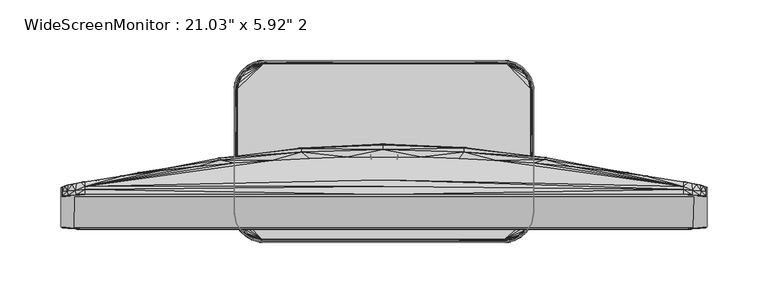
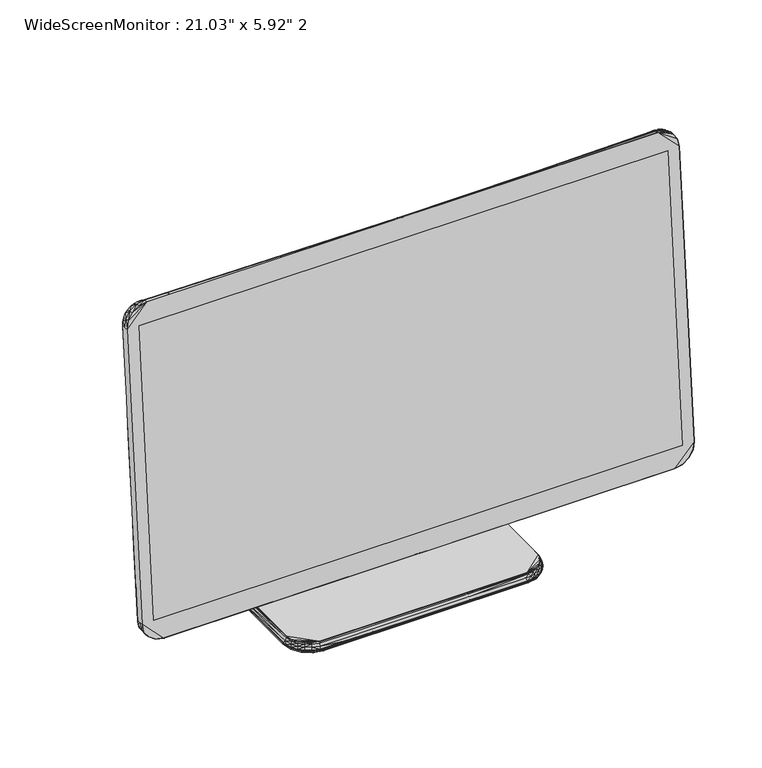
"""IFC4 building model written with IfcOpenShell, lengths in millimetres: furniture geometry."""

from ifc_helpers import new_model, si_unit, origin, place, context, project, spatial, triangles, source, transform, mapped, element, save


def furniture_1f71f795(model_context):
    return source(origin(), model_context, "Body", "Tessellation", [
        triangles([(7.4874943, -0.5223826, 224.6167402), (8.4874946, 3.6776178, 224.9167401), (8.8874941, -0.6223824, 223.9167466), (7.5874945, -4.8223818, 223.9167466), (7.4874943, -5.4223815, 223.6167286), (9.0874955, -4.9223825, 223.016747), (8.9874959, -5.5223822, 222.716729), (7.7874942, 4.9776173, 226.6167453), (-1.2125046, 5.9776176, 251.3271193), (65.8624905, 3.2776183, 251.9271008), (8.8874941, 4.8776178, 226.0167274), (8.5874948, 4.4776183, 225.3167338), (9.8874938, 4.4776183, 224.4167343), (9.8874938, 3.5776179, 223.8167346), (10.4874946, 4.7776176, 224.9167401), (10.1874959, -0.6223824, 222.5167231), (10.2874955, -5.0223826, 221.4167357), (11.1874939, 4.2776166, 222.716729), (10.4874946, 3.5776179, 222.916735), (11.712505, 4.6776181, 223.3167287), (10.6874949, -0.8223821, 221.3167418), (10.8874941, 3.4776181, 222.0167354), (-267.0875127, -39.6276548, 256.2271109), (-267.0875127, -33.8276545, 363.8790247), (-267.0875127, -36.5276555, 292.0478532), (-201.5375167, -19.7276544, 257.0271166), (-135.0625045, -5.2223818, 290.0375108), (-135.0625045, -5.6223823, 253.927106), (-201.5375167, -18.027656, 295.0478881), (200.0125189, -19.3276561, 256.9271045), (132.9375252, -5.2223818, 253.8271302), (132.9375252, -4.9223825, 289.8375049), (200.0125189, -17.727655, 294.9478579), (267.0625142, -36.5276555, 292.0478532), (267.0625142, -39.6276548, 256.2271109), (267.0625142, -37.4276573, 364.2790366), (-68.3874999, 2.4776181, 286.9375002), (-68.3874999, 2.9776171, 252.0271311), (-1.2125046, 5.1776171, 285.8374947), (65.8624905, 2.6776175, 286.8375245), (-135.0625045, -6.9223819, 325.1582414), (-68.3874999, -0.4223827, 320.6582253), (-1.2125046, 1.7776172, 319.0582503), (65.8624905, -0.3223829, 320.5582314), (132.9375252, -6.6223826, 324.9582172), (-267.0875127, -33.4276562, 327.8582219), (-201.5375167, -17.5276547, 332.6582196), (267.0625142, -33.4276562, 327.8582219), (200.0125189, -17.2223817, 332.4582318), (267.0625142, -33.8276545, 363.8790247), (-267.0875127, -30.2276539, 363.579043), (-216.1375158, -20.2276534, 372.1790268), (-185.2125139, -16.0223823, 366.3790174), (-154.3875059, -12.4223817, 361.4790258), (267.0625142, -30.2276539, 363.579043), (-123.4375055, -9.5223822, 357.4686602), (-92.6125156, -7.3223819, 354.3686677), (-61.7875031, -5.6223823, 352.1686566), (-30.8374982, -4.7223819, 350.868627), (-0.0125049, -4.4223823, 350.3686575), (30.9125027, -4.7223819, 350.868627), (61.762491, -5.6223823, 352.1686566), (92.587499, -7.3223819, 354.3686677), (123.51251, -9.5223822, 357.4686602), (154.3625256, -12.4223817, 361.4790258), (216.1125173, -20.2276534, 372.1790268), (185.1875154, -16.0223823, 366.3790174), (-246.9875223, -28.8276531, 381.7790222), (-0.0125049, -23.7276555, 373.9790259), (246.9625056, -28.8276531, 381.7790222), (-267.0875127, -37.4276573, 364.2790366), (-265.6875255, -33.227657, 371.4790332), (-265.5875134, -36.7276546, 371.8790088), (-266.6875189, -29.8276534, 367.2790352), (-246.9875223, -25.0276557, 378.8790175), (-265.5875134, -29.3276544, 370.8790335), (-261.4875093, -32.6276528, 377.9789998), (-263.6875204, -28.6276539, 373.9790259), (-261.1875276, -36.2276556, 378.3790117), (-261.0875155, -27.8276551, 376.4790187), (-254.7875004, -32.1276561, 382.2789917), (-257.7875171, -27.1276524, 378.2790178), (-254.6875247, -35.8276551, 382.7790339), (-254.2875127, -26.3276558, 379.1790356), (-246.9875223, -31.6276548, 383.3789972), (-250.5875206, -25.6276531, 379.3790234), (-246.9875223, -35.7276543, 384.279015), (-0.0125049, -35.7276543, 384.279015), (-0.0125049, -29.1276529, 379.7789989), (246.9625056, -31.6276548, 383.3789972), (246.9625056, -35.7276543, 384.279015), (246.9625056, -25.0276557, 378.8790175), (250.6624978, -25.6276531, 379.3790234), (254.2625143, -26.3276558, 379.1790356), (257.8625125, -27.1276524, 378.2790178), (261.0624989, -27.8276551, 376.4790187), (263.6625219, -28.6276539, 373.9790259), (265.5624968, -29.3276544, 370.8790335), (266.7624962, -29.8276534, 367.2790352), (254.662508, -35.8276551, 382.7790339), (254.7625019, -32.1276561, 382.2789917), (261.162511, -36.2276556, 378.3790117), (261.4625108, -32.6276528, 377.9789998), (265.5624968, -36.7276546, 371.8790088), (265.7625027, -33.227657, 371.4790332), (-267.0875127, -55.332928, 77.3440708), (-246.9875223, -52.8329307, 61.4440738), (-266.6875189, -55.5329339, 73.6440741), (-216.1375158, -46.832929, 67.1440757), (-267.0875127, -52.2329264, 113.1648313), (-201.5375167, -37.3276543, 105.6648349), (-267.0875127, -58.9329308, 77.6440706), (-265.6875255, -59.6329289, 70.1440742), (-267.0875127, -62.4329306, 77.9440705), (-267.0875127, -49.032931, 148.975209), (-267.0875127, -45.932934, 184.6959575), (-267.0875127, -42.8329324, 220.5063625), (-265.5875134, -63.1329288, 70.3440756), (-265.5875134, -55.6329324, 70.0440712), (-263.6875204, -55.5329339, 66.8440758), (-261.4875093, -60.1329302, 63.6440758), (-261.1875276, -63.7329285, 63.8440772), (-261.0875155, -55.2329295, 64.2440755), (-257.7875171, -54.7329282, 62.3440734), (-254.7875004, -60.3329316, 59.3440748), (-254.6875247, -64.1329268, 59.4440733), (-254.2875127, -54.1329331, 61.3440709), (-250.5875206, -53.5329334, 61.0440755), (-246.9875223, -57.0329332, 59.2440719), (-246.9875223, -60.1329302, 58.1440754), (-246.9875223, -64.2329298, 57.944074), (-185.2125139, -41.7329314, 72.1440748), (-154.3875059, -37.4276573, 76.3440773), (-0.0125049, -56.9329302, 61.2440724), (-123.4375055, -33.8276545, 79.7440696), (-92.6125156, -31.0276551, 82.4544511), (-61.7875031, -29.1276529, 84.3544532), (-0.0125049, -64.2329298, 57.944074), (246.9625056, -60.1329302, 58.1440754), (246.9625056, -64.2329298, 57.944074), (246.9625056, -57.0329332, 59.2440719), (-30.8374982, -27.9276558, 85.5544526), (-0.0125049, -27.5276552, 85.8544525), (30.9125027, -27.9276558, 85.5544526), (61.762491, -29.1276529, 84.3544532), (185.1875154, -41.7329314, 72.1440748), (216.1125173, -46.832929, 67.1440757), (154.3625256, -37.4276573, 76.3440773), (200.0125189, -37.0276522, 105.7648288), (246.9625056, -52.8329307, 61.4440738), (267.0625142, -55.332928, 77.3440708), (123.51251, -33.8276545, 79.7440696), (92.587499, -31.0276551, 82.4544511), (254.2625143, -54.1329331, 61.3440709), (250.6624978, -53.5329334, 61.0440755), (257.8625125, -54.7329282, 62.3440734), (261.0624989, -55.2329295, 64.2440755), (263.6625219, -55.5329339, 66.8440758), (265.5624968, -55.6329324, 70.0440712), (266.7624962, -55.5329339, 73.6440741), (254.862514, -60.3329316, 59.3440748), (254.662508, -64.1329268, 59.4440733), (261.162511, -63.7329285, 63.8440772), (261.4625108, -60.1329302, 63.6440758), (265.5624968, -63.1329288, 70.3440756), (265.7625027, -59.6329289, 70.1440742), (267.0625142, -62.4329306, 77.9440705), (267.0625142, -58.9329308, 77.6440706), (267.0625142, -52.2329264, 113.1648313), (267.0625142, -49.032931, 148.975209), (-135.0625045, -25.6276531, 111.1648262), (132.9375252, -25.3276555, 111.2648292), (-68.3874999, -18.527655, 114.4648337), (-1.2125046, -16.0223823, 115.6648331), (65.8624905, -18.3276558, 114.5648276), (-201.5375167, -31.4276556, 142.7752059), (200.0125189, -31.0276551, 142.7752059), (-135.0625045, -17.9276541, 145.4752047), (-68.3874999, -9.7223819, 147.1752099), (65.8624905, -9.5223822, 147.2752129), (132.9375252, -17.5276547, 145.5752076), (-1.2125046, -6.9223819, 147.7752005), (-201.5375167, -26.4276542, 180.4959595), (267.0625142, -45.932934, 184.6959575), (200.0125189, -26.0276537, 180.4959595), (-135.0625045, -11.9223816, 181.0959592), (132.9375252, -11.5223822, 181.0959592), (-68.3874999, -3.1223819, 181.4959711), (-1.2125046, -0.1223814, 181.595965), (65.8624905, -2.9223822, 181.4959711), (-201.5375167, -22.5276561, 218.7063633), (267.0625142, -42.8329324, 220.5063625), (200.0125189, -22.1276555, 218.7063633), (-135.0625045, -7.822382, 217.40637), (-10.112505, 2.0776186, 196.8959577), (-8.9125045, 1.9776169, 196.095952), (-68.3874999, 1.0776184, 216.6063643), (-12.5375001, 2.4776181, 201.1063475), (-11.6125043, 2.2776182, 198.7063668), (-9.7125056, 1.5776176, 197.3959635), (-8.612504, 1.4776178, 196.5959579), (-9.7125056, 0.9776186, 197.5959695), (-8.612504, 0.9776186, 196.7959638), (-11.1125042, 1.7776172, 199.0063667), (-8.8125049, -3.2223818, 197.0959637), (-10.5125044, 1.1776183, 198.7063668), (-9.9125047, -3.1223819, 198.206361), (-9.0125046, -7.422382, 197.3959635), (-8.9125045, -8.0223818, 197.5959695), (-7.5125047, -7.5223816, 196.495964), (-7.4125046, -3.3223825, 196.3959701), (-10.0125043, -7.2223823, 198.7063668), (-9.9125047, -7.822382, 198.8063607), (-7.0125046, -8.1223819, 196.495964), (-9.5125047, -8.3223822, 199.1063606), (-8.612504, -8.4223823, 197.9063612), (-6.912505, 1.3776179, 195.8959642), (-7.1125047, 1.7776172, 195.5959644), (-7.4125046, 1.8776171, 195.2959645), (-7.312505, 0.8776169, 196.295958), (-6.4125049, -7.5223816, 196.295958), (-6.3125047, -3.2223818, 196.1959641), (0.587495, 1.7776172, 195.4959705), (-0.0125049, 1.8776171, 195.0959767), (-6.0125049, 0.8776169, 196.095952), (0.587495, 1.4776178, 195.7959703), (-7.1125047, -8.5223819, 196.9959516), (0.4874952, -7.7223825, 203.3063586), (1.0874952, -8.5223819, 196.7959638), (1.9874945, -8.1223819, 196.3959701), (0.4874952, 0.8776169, 195.9959581), (-0.6125048, -7.5223816, 196.1959641), (-0.0125049, -3.3223825, 196.095952), (6.6874938, 1.8776171, 195.3959584), (8.5874948, 1.9776169, 195.8959642), (2.0874952, -7.5223816, 196.1959641), (2.8874949, -3.3223825, 196.095952), (3.6874944, 0.8776169, 196.095952), (6.3874945, 1.4776178, 195.8959642), (6.6874938, -8.5223819, 196.8959577), (3.7874951, -7.5223816, 196.1959641), (6.1874948, -8.1223819, 196.495964), (4.9874948, -3.1223819, 196.1959641), (6.1874948, 0.8776169, 196.095952), (6.2874949, -7.5223816, 196.295958), (7.1874951, -3.4223823, 196.495964), (7.2874946, -8.1223819, 196.6959699), (8.1874953, 0.8776169, 196.5959579), (7.4874943, -7.5223816, 196.495964), (8.2874949, 1.4776178, 196.3959701), (8.4874946, -8.4223823, 197.7959573), (8.1874953, -3.3223825, 196.7959638), (8.7874939, -8.0223818, 197.4959756), (8.9874959, -7.422382, 197.3959635), (9.4874949, -3.2223818, 197.6959634), (9.0874955, 0.9776186, 197.0959637), (9.3874948, 1.6776175, 196.9959516), (9.3874948, -8.3223822, 198.9063546), (9.6874946, 1.9776169, 196.3959701), (9.8874938, -7.822382, 198.7063668), (10.0874941, -7.3223819, 198.6063548), (10.0874941, 1.0776184, 198.1063671), (10.387495, 1.7776172, 197.9063612), (10.4874946, -3.0223821, 198.9063546), (10.9874936, 2.0776186, 197.5959695), (11.8125046, 2.2776182, 198.9063546), (11.1874939, 1.9776169, 199.1063606), (12.3125047, 2.4776181, 200.9063597), (65.8624905, 1.3776179, 216.6063643), (132.9375252, -7.422382, 217.40637), (-12.9374995, 3.5776179, 211.2063669), (-12.9374995, 2.9776171, 205.2063698), (-12.5375001, 4.1776168, 217.306358), (-12.5375001, 4.4776183, 221.2167297), (-11.8374997, 4.6776181, 223.1167409), (-11.0125046, 4.7776176, 224.4167343), (-12.1375006, 4.2776166, 220.0063567), (-12.1375006, 2.4776181, 201.9063532), (-11.7374989, 2.0776186, 200.8063658), (-11.7374989, 3.8776175, 219.7063568), (-11.7374989, 2.1776185, 202.0063471), (-11.7374989, 4.1776168, 221.4167357), (-11.5125047, 3.0776169, 216.7063582), (-11.5125047, 1.4776178, 201.6063715), (-11.5125047, 1.7776172, 204.0063522), (-11.5125047, 3.2776183, 219.9063628), (-11.4125052, 3.3776182, 221.1167358), (-11.0125046, 1.2776181, 199.6063664), (-11.2125049, -2.4223821, 202.9063467), (-10.8125054, -3.0223821, 200.506366), (-11.1125042, -1.2223814, 216.3063645), (-11.1125042, -2.3223823, 204.8063579), (-11.1125042, -1.0223817, 219.2063692), (-11.1125042, -0.8223821, 220.4063504), (-10.7125047, -6.6223826, 204.0063522), (-10.7125047, -7.0223815, 201.2063596), (-10.8125054, -5.5223822, 215.9063526), (-10.8125054, -5.2223818, 219.0063632), (-10.7125047, -5.1223822, 220.0063567), (-10.5125044, -0.7223822, 222.1167475), (-10.112505, -5.0223826, 221.7167356), (-10.612504, -2.9223822, 199.7063603), (-10.612504, -7.1223816, 200.30636), (-10.5125044, -5.7223819, 219.6063629), (-10.5125044, -7.2223823, 204.2063581), (-10.4125049, -7.6223818, 200.7063538), (-9.9125047, -5.6223823, 221.5167478), (-10.112505, -6.1223825, 219.5063509), (-9.4125046, -6.1223825, 221.2167297), (-10.2125057, -7.5223816, 204.506358), (-10.0125043, -8.1223819, 200.6063599), (-9.8125052, -6.7223822, 213.6063658), (-9.7125056, -7.6223818, 205.5063515), (-9.7125056, -6.222382, 219.6063629), (0.087495, -6.4223818, 216.906346), (-0.1125047, -7.0223815, 210.1063614), (9.7874942, -6.7223822, 214.4063533), (9.7874942, -7.5223816, 206.406351), (9.6874946, -6.1223825, 220.8063623), (9.9874945, -6.222382, 219.3063449), (-8.5125045, -6.0223823, 222.3167353), (-6.6125046, -5.9223816, 222.916735), (6.1874948, -5.9223816, 223.016747), (7.2874946, -5.9223816, 223.016747), (8.5874948, -6.0223823, 222.2167414), (9.6874946, -8.1223819, 200.506366), (10.387495, -7.822382, 200.30636), (10.1874959, -7.822382, 201.2063596), (10.1874959, -5.6223823, 221.106344), (10.5874953, -5.822382, 219.406357), (10.2874955, -6.4223818, 215.5063588), (10.5874953, -6.0223823, 215.8063587), (10.6874949, -7.1223816, 200.30636), (10.8874941, 1.1776183, 199.2063545), (10.4874946, -7.5223816, 201.2063596), (10.7874945, -5.1223822, 219.9063628), (11.0874943, -2.8223823, 200.4063539), (10.7874945, -6.7223822, 203.8063644), (10.7874945, -7.0223815, 201.1063475), (10.7874945, -5.2223818, 219.0063632), (10.8874941, -5.4223815, 216.3063645), (10.8874941, -5.6223823, 214.8063652), (10.8874941, -1.0223817, 220.4063504), (11.1874939, -2.6223818, 201.6063715), (11.1874939, -2.4223821, 204.706364), (11.1874939, -0.8223821, 218.2063575), (11.1874939, -1.2223814, 216.2063524), (11.3874953, 3.3776182, 220.1063687), (11.3874953, 1.3776179, 200.506366), (11.4874949, 3.0776169, 217.7063517), (11.4874949, 1.8776171, 205.0063638), (11.4874949, 1.4776178, 201.8063593), (11.712505, 1.9776169, 200.6063599), (11.712505, 3.9776173, 220.3063565), (11.8125046, 2.1776185, 202.206353), (12.1125044, 4.3776185, 220.6063564), (12.1125044, 2.7776174, 205.1063577), (12.512505, 4.4776183, 220.8063623), (12.512505, 2.8776172, 203.8063644), (12.9125044, 3.9776173, 214.9063591), (12.9125044, 3.3776182, 208.6063621), (-11.2125049, 4.2776166, 222.716729), (-10.4125049, 4.3776185, 223.9167466), (-10.912505, 3.4776181, 222.5167231), (-10.112505, 3.5776179, 223.6167286), (-9.7125056, 4.8776178, 225.6167337), (-9.5125047, -0.6223824, 223.3167287), (-9.0125046, -4.9223825, 223.016747), (-8.8125049, 4.5776182, 225.3167338), (-8.8125049, -5.5223822, 222.716729), (-9.0125046, 3.6776178, 224.5167282), (-8.612504, 4.8776178, 226.2167334), (-8.112505, -0.5223826, 224.2167283), (-7.5125047, -4.8223818, 223.8167346), (-8.112505, 3.6776178, 225.016734), (-7.312505, -5.6223823, 223.5167347), (-6.7125047, 4.9776173, 226.7167392), (-6.912505, 4.5776182, 225.8167397), (-7.0125046, -0.6223824, 224.6167402), (-6.0125049, 3.7776176, 225.5167398), (-6.112505, -4.8223818, 224.1167344), (-6.112505, -5.3223819, 223.8167346), (-6.112505, -5.7223819, 223.4167226), (-4.7125048, -0.3223829, 224.9167401), (-5.9125053, 4.7776176, 226.2167334), (-5.712505, 4.3776185, 225.8167397), (0.087495, 4.9776173, 226.7167392), (6.1874948, -5.7223819, 223.4167226), (-3.5125045, -4.7223819, 224.1167344), (-2.0125052, -4.7223819, 224.1167344), (0.587495, -4.7223819, 224.1167344), (3.7874951, -4.7223819, 224.1167344), (6.0874952, -5.4223815, 223.8167346), (-3.712505, 3.7776176, 225.5167398), (6.3874945, 4.9776173, 226.7167392), (6.2874949, 4.7776176, 226.2167334), (-0.5125049, 3.7776176, 225.5167398), (5.8874955, 4.3776185, 225.8167397), (-2.9125045, -0.5223826, 224.8167462), (0.087495, -0.5223826, 224.8167462), (2.6874952, 3.7776176, 225.5167398), (3.1874954, -0.4223827, 224.8167462), (6.1874948, 3.7776176, 225.5167398), (6.1874948, -0.5223826, 224.8167462), (6.1874948, -4.8223818, 224.1167344), (7.1874951, 4.5776182, 225.9167517), (7.2874946, 3.7776176, 225.4167277)], [[1, 2, 3], [1, 3, 4], [5, 4, 6], [5, 6, 7], [4, 3, 6], [8, 9, 10], [8, 10, 11], [2, 12, 13], [2, 14, 3], [2, 13, 14], [12, 11, 15], [12, 15, 13], [3, 14, 16], [3, 16, 6], [11, 10, 15], [7, 6, 17], [6, 16, 17], [14, 13, 18], [14, 19, 16], [14, 18, 19], [13, 15, 20], [13, 20, 18], [16, 19, 21], [16, 21, 17], [19, 22, 21], [19, 18, 22], [23, 24, 25], [23, 25, 26], [26, 27, 28], [26, 25, 29], [26, 29, 27], [30, 31, 32], [30, 32, 33], [30, 33, 34], [30, 34, 35], [35, 34, 36], [28, 27, 37], [28, 37, 38], [38, 37, 39], [38, 39, 9], [9, 39, 10], [10, 39, 40], [10, 40, 31], [31, 40, 32], [27, 29, 41], [27, 41, 42], [27, 42, 37], [37, 42, 43], [37, 43, 39], [39, 43, 40], [40, 43, 44], [40, 44, 32], [32, 44, 45], [32, 45, 33], [25, 24, 46], [25, 46, 29], [29, 46, 47], [29, 47, 41], [33, 48, 34], [33, 45, 49], [33, 49, 48], [34, 48, 50], [34, 50, 36], [46, 24, 51], [46, 51, 47], [47, 51, 52], [47, 52, 53], [47, 53, 54], [47, 54, 41], [48, 55, 50], [48, 49, 55], [41, 56, 57], [41, 57, 42], [41, 54, 56], [42, 57, 58], [42, 58, 59], [42, 59, 43], [43, 59, 60], [43, 60, 61], [43, 61, 44], [44, 61, 62], [44, 62, 63], [44, 63, 45], [45, 63, 64], [45, 64, 65], [45, 65, 49], [49, 66, 55], [49, 65, 67], [49, 67, 66], [56, 68, 57], [56, 54, 68], [57, 68, 69], [57, 69, 58], [58, 69, 59], [59, 69, 60], [60, 69, 61], [61, 69, 62], [62, 69, 63], [63, 69, 70], [63, 70, 64], [64, 70, 65], [71, 72, 24], [71, 73, 72], [24, 74, 51], [24, 72, 74], [51, 74, 75], [51, 75, 52], [74, 76, 75], [74, 72, 76], [72, 73, 77], [72, 78, 76], [72, 77, 78], [76, 78, 75], [73, 79, 77], [78, 80, 75], [78, 77, 80], [77, 79, 81], [77, 82, 80], [77, 81, 82], [79, 83, 81], [80, 82, 75], [82, 84, 75], [82, 81, 84], [81, 83, 85], [81, 86, 84], [81, 68, 86], [81, 85, 68], [83, 87, 85], [84, 86, 75], [86, 68, 75], [85, 87, 88], [85, 88, 89], [85, 89, 68], [68, 52, 75], [68, 89, 69], [68, 53, 52], [68, 54, 53], [69, 89, 90], [69, 90, 70], [88, 91, 90], [88, 90, 89], [66, 70, 92], [66, 67, 70], [66, 92, 55], [92, 93, 94], [92, 94, 95], [92, 95, 96], [92, 96, 97], [92, 97, 98], [92, 98, 99], [92, 99, 55], [90, 91, 100], [90, 100, 101], [90, 101, 70], [70, 67, 65], [70, 93, 92], [70, 101, 93], [93, 101, 94], [94, 101, 95], [100, 102, 101], [101, 102, 103], [101, 103, 95], [95, 103, 96], [96, 103, 97], [102, 104, 103], [103, 104, 105], [103, 105, 97], [97, 105, 98], [104, 36, 105], [98, 105, 99], [105, 36, 50], [105, 50, 99], [99, 50, 55], [106, 107, 108], [106, 109, 107], [106, 110, 111], [106, 111, 109], [106, 108, 112], [112, 108, 113], [112, 113, 114], [114, 71, 112], [106, 112, 110], [112, 115, 110], [112, 116, 115], [112, 117, 116], [112, 24, 117], [112, 71, 24], [114, 113, 118], [108, 107, 119], [108, 119, 113], [113, 119, 120], [113, 120, 121], [113, 121, 118], [119, 107, 120], [118, 121, 122], [120, 123, 121], [120, 107, 123], [121, 123, 124], [121, 124, 125], [121, 125, 122], [122, 125, 126], [123, 107, 124], [124, 107, 127], [124, 127, 125], [125, 127, 128], [125, 128, 129], [125, 130, 126], [125, 129, 130], [126, 130, 131], [127, 107, 128], [128, 107, 129], [107, 109, 129], [129, 109, 132], [129, 132, 133], [129, 134, 130], [129, 133, 135], [129, 135, 136], [129, 136, 137], [129, 137, 134], [130, 138, 131], [130, 134, 138], [109, 111, 132], [132, 111, 133], [138, 134, 139], [138, 139, 140], [134, 141, 139], [134, 137, 142], [134, 142, 143], [134, 143, 144], [134, 144, 145], [134, 145, 141], [146, 147, 141], [146, 141, 148], [146, 148, 149], [146, 149, 147], [147, 150, 141], [147, 151, 150], [147, 149, 151], [141, 152, 148], [141, 145, 153], [141, 153, 152], [150, 154, 155], [150, 156, 154], [150, 157, 156], [150, 158, 157], [150, 159, 158], [150, 160, 159], [150, 151, 160], [150, 155, 141], [141, 155, 161], [141, 161, 139], [140, 139, 162], [139, 161, 162], [155, 154, 161], [154, 156, 161], [162, 161, 163], [161, 156, 164], [161, 164, 163], [156, 157, 164], [157, 158, 164], [163, 164, 165], [164, 158, 166], [164, 166, 165], [158, 159, 166], [165, 166, 167], [159, 160, 166], [166, 160, 168], [166, 168, 167], [160, 151, 168], [168, 151, 169], [168, 169, 170], [168, 170, 36], [168, 36, 167], [151, 149, 169], [133, 111, 171], [133, 171, 135], [135, 171, 136], [152, 153, 172], [152, 172, 148], [148, 172, 149], [136, 171, 173], [136, 173, 137], [137, 173, 142], [142, 173, 174], [142, 174, 143], [143, 174, 144], [144, 175, 145], [144, 174, 175], [145, 175, 153], [153, 175, 172], [110, 115, 176], [110, 176, 111], [169, 149, 177], [169, 177, 170], [111, 176, 171], [171, 176, 178], [171, 178, 173], [173, 178, 179], [173, 179, 174], [175, 174, 180], [175, 181, 172], [175, 180, 181], [172, 181, 177], [172, 177, 149], [174, 179, 182], [174, 182, 180], [115, 116, 183], [115, 183, 176], [170, 184, 36], [170, 177, 185], [170, 185, 184], [176, 183, 178], [178, 183, 186], [178, 186, 179], [181, 180, 187], [181, 185, 177], [181, 187, 185], [179, 186, 188], [179, 188, 182], [182, 188, 189], [182, 189, 190], [182, 190, 180], [180, 190, 187], [116, 117, 191], [116, 191, 183], [184, 192, 36], [184, 185, 193], [184, 193, 192], [183, 191, 186], [185, 187, 193], [186, 191, 194], [186, 194, 188], [188, 195, 196], [188, 196, 189], [188, 194, 197], [188, 197, 198], [188, 198, 199], [188, 199, 195], [195, 200, 201], [195, 201, 196], [195, 199, 200], [200, 202, 203], [200, 203, 201], [200, 199, 204], [200, 204, 202], [202, 205, 203], [202, 204, 206], [202, 206, 207], [202, 207, 205], [208, 209, 210], [208, 205, 207], [208, 210, 211], [208, 211, 205], [208, 212, 213], [208, 207, 212], [208, 213, 209], [209, 214, 210], [209, 213, 215], [209, 215, 216], [209, 216, 214], [196, 201, 217], [196, 218, 219], [196, 217, 218], [196, 219, 189], [205, 211, 203], [201, 203, 220], [201, 220, 217], [203, 211, 220], [210, 214, 221], [210, 221, 222], [210, 222, 211], [211, 222, 220], [219, 218, 223], [219, 223, 224], [219, 224, 189], [220, 222, 225], [220, 225, 217], [218, 217, 226], [218, 226, 223], [227, 216, 228], [227, 228, 229], [227, 229, 214], [227, 214, 216], [214, 229, 230], [214, 230, 221], [217, 225, 231], [217, 231, 226], [221, 232, 222], [221, 230, 232], [222, 232, 233], [222, 233, 225], [225, 233, 231], [189, 224, 234], [189, 234, 235], [189, 235, 190], [232, 230, 236], [232, 236, 233], [233, 236, 237], [233, 237, 231], [224, 223, 234], [231, 237, 238], [231, 238, 226], [226, 238, 239], [226, 239, 223], [223, 239, 234], [229, 240, 230], [229, 228, 240], [230, 241, 236], [230, 242, 241], [230, 240, 242], [236, 241, 237], [237, 241, 243], [237, 243, 238], [238, 243, 244], [238, 244, 239], [241, 242, 245], [241, 245, 243], [243, 245, 246], [243, 246, 244], [242, 240, 247], [242, 247, 245], [244, 246, 248], [244, 248, 239], [245, 247, 249], [245, 249, 246], [239, 248, 250], [239, 250, 234], [240, 228, 251], [240, 251, 247], [234, 250, 235], [246, 249, 252], [246, 252, 248], [247, 251, 253], [247, 253, 249], [249, 253, 254], [249, 254, 252], [252, 254, 255], [252, 256, 248], [252, 255, 256], [248, 256, 250], [250, 256, 257], [250, 257, 235], [251, 228, 258], [251, 258, 253], [235, 257, 259], [235, 259, 190], [253, 258, 260], [253, 260, 254], [254, 260, 261], [254, 261, 255], [256, 255, 262], [256, 262, 257], [257, 263, 259], [257, 262, 263], [255, 261, 264], [255, 264, 262], [259, 263, 265], [259, 265, 190], [265, 266, 190], [265, 263, 267], [265, 267, 266], [190, 266, 268], [190, 268, 269], [190, 269, 270], [190, 270, 187], [187, 270, 193], [117, 24, 23], [117, 23, 191], [192, 35, 36], [192, 193, 35], [191, 23, 26], [191, 26, 28], [191, 28, 194], [193, 270, 31], [193, 30, 35], [193, 31, 30], [194, 28, 38], [194, 38, 197], [197, 271, 272], [197, 272, 198], [197, 273, 271], [197, 274, 273], [197, 275, 274], [197, 276, 275], [197, 38, 276], [271, 273, 198], [271, 198, 272], [273, 277, 198], [273, 274, 277], [198, 278, 279], [198, 277, 278], [198, 279, 199], [278, 277, 280], [278, 281, 279], [278, 280, 281], [277, 274, 282], [277, 282, 280], [281, 280, 283], [281, 284, 279], [281, 285, 284], [281, 283, 285], [280, 286, 283], [280, 282, 287], [280, 287, 286], [279, 284, 288], [279, 204, 199], [279, 288, 204], [284, 285, 289], [284, 289, 290], [284, 290, 288], [285, 283, 291], [285, 292, 289], [285, 291, 292], [283, 286, 293], [283, 293, 291], [286, 294, 293], [286, 287, 294], [289, 292, 295], [289, 295, 296], [289, 296, 290], [292, 291, 297], [292, 297, 295], [291, 293, 298], [291, 298, 297], [293, 294, 298], [294, 299, 298], [294, 287, 300], [294, 300, 301], [294, 301, 299], [204, 288, 206], [288, 290, 302], [288, 302, 206], [290, 296, 303], [290, 303, 302], [298, 299, 304], [298, 304, 297], [297, 304, 295], [295, 304, 305], [295, 305, 306], [295, 306, 296], [299, 301, 307], [299, 307, 304], [296, 306, 303], [302, 303, 212], [302, 212, 207], [302, 207, 206], [303, 306, 212], [304, 308, 305], [304, 307, 309], [304, 309, 308], [305, 310, 311], [305, 308, 310], [305, 311, 306], [306, 311, 213], [306, 213, 212], [310, 308, 312], [310, 312, 313], [310, 313, 311], [308, 314, 312], [308, 309, 314], [311, 313, 228], [311, 228, 215], [311, 215, 213], [312, 314, 315], [312, 316, 313], [312, 315, 316], [313, 316, 228], [314, 309, 315], [215, 228, 216], [316, 315, 317], [316, 318, 228], [316, 317, 318], [315, 319, 320], [315, 320, 317], [315, 309, 321], [315, 321, 322], [315, 322, 323], [315, 323, 324], [315, 324, 325], [315, 325, 319], [228, 326, 258], [228, 318, 326], [258, 326, 327], [258, 327, 260], [326, 318, 328], [326, 328, 327], [319, 329, 330], [319, 330, 320], [319, 325, 329], [318, 317, 328], [317, 320, 331], [317, 331, 328], [260, 327, 261], [320, 330, 332], [320, 332, 331], [261, 327, 333], [261, 333, 264], [262, 264, 334], [262, 334, 263], [328, 331, 335], [328, 335, 327], [329, 336, 330], [329, 325, 7], [329, 7, 17], [329, 17, 336], [331, 332, 335], [327, 335, 333], [263, 334, 267], [264, 333, 337], [264, 337, 334], [335, 332, 338], [335, 339, 333], [335, 338, 339], [330, 336, 340], [330, 340, 341], [330, 341, 332], [332, 342, 338], [332, 341, 342], [333, 339, 337], [336, 343, 340], [336, 17, 21], [336, 21, 343], [339, 338, 344], [339, 344, 337], [338, 342, 345], [338, 345, 344], [340, 343, 346], [340, 346, 341], [342, 341, 347], [342, 347, 345], [341, 346, 347], [343, 348, 346], [343, 21, 22], [343, 22, 348], [334, 337, 349], [334, 349, 267], [337, 344, 349], [347, 346, 350], [347, 350, 351], [347, 351, 345], [345, 351, 352], [345, 352, 344], [344, 352, 349], [346, 348, 350], [267, 349, 353], [267, 353, 268], [267, 268, 266], [349, 352, 353], [348, 354, 350], [348, 22, 354], [350, 354, 355], [350, 355, 351], [351, 355, 352], [352, 355, 353], [353, 355, 268], [354, 356, 357], [354, 357, 355], [354, 22, 18], [354, 18, 356], [355, 357, 268], [356, 358, 359], [356, 359, 357], [356, 18, 358], [357, 359, 268], [268, 359, 269], [358, 360, 359], [358, 18, 20], [358, 269, 360], [358, 20, 269], [359, 360, 361], [359, 361, 269], [360, 269, 361], [269, 15, 10], [269, 20, 15], [269, 10, 270], [270, 10, 31], [274, 275, 362], [274, 362, 282], [275, 276, 363], [275, 363, 362], [282, 362, 364], [282, 364, 287], [287, 364, 300], [362, 363, 365], [362, 365, 364], [276, 38, 366], [276, 366, 363], [364, 365, 367], [364, 367, 300], [300, 367, 368], [300, 368, 301], [363, 366, 369], [363, 369, 365], [301, 368, 370], [301, 370, 307], [365, 371, 367], [365, 369, 371], [307, 370, 321], [307, 321, 309], [366, 372, 369], [366, 38, 372], [367, 371, 373], [367, 373, 368], [368, 373, 374], [368, 374, 370], [371, 369, 375], [371, 375, 373], [370, 374, 376], [370, 376, 321], [369, 372, 377], [369, 378, 375], [369, 377, 378], [372, 38, 9], [372, 9, 377], [321, 376, 322], [373, 375, 379], [373, 379, 374], [375, 378, 380], [375, 380, 379], [374, 379, 381], [374, 381, 376], [376, 381, 382], [376, 383, 322], [376, 382, 383], [379, 380, 384], [379, 384, 381], [378, 377, 385], [378, 385, 386], [378, 386, 380], [377, 387, 385], [377, 9, 387], [322, 383, 388], [322, 388, 323], [381, 384, 389], [381, 389, 382], [383, 382, 388], [382, 389, 390], [382, 390, 391], [382, 391, 392], [382, 392, 393], [382, 393, 388], [380, 386, 394], [380, 394, 384], [385, 387, 395], [385, 396, 386], [385, 395, 396], [386, 397, 394], [386, 398, 397], [386, 396, 398], [384, 394, 399], [384, 399, 389], [394, 397, 399], [389, 399, 390], [399, 397, 400], [399, 400, 390], [390, 400, 391], [397, 401, 400], [397, 398, 401], [400, 401, 402], [400, 402, 391], [387, 9, 395], [391, 402, 392], [401, 398, 403], [401, 403, 402], [402, 403, 404], [402, 404, 392], [392, 405, 393], [392, 404, 405], [398, 396, 406], [398, 406, 403], [393, 405, 4], [393, 5, 388], [393, 4, 5], [403, 406, 407], [403, 407, 404], [405, 404, 1], [405, 1, 4], [388, 324, 323], [388, 5, 324], [404, 407, 1], [396, 395, 8], [396, 8, 406], [395, 9, 8], [406, 8, 11], [406, 12, 407], [406, 11, 12], [407, 2, 1], [407, 12, 2], [324, 5, 7], [324, 7, 325]], closed=False),
        triangles([(-255.7873122, -62.818245, 78.1747432), (255.1723969, -62.818245, 78.1747432), (-255.3873003, -37.8182449, 364.0222936), (255.7723785, -37.8182449, 364.0222936)], [[1, 2, 3], [2, 4, 3]], closed=False),
        triangles([(114.1721826, 70.0656451, 1.5284027), (114.1721826, 70.0656451, 2.5284027), (118.3721806, 65.8656426, 1.5284027), (118.4721836, 65.7656396, 2.5284027), (-118.5019056, -65.8468892, 2.5284027), (-118.3018996, -65.9468922, 1.5284027), (-114.2019046, -70.0468963, 2.5284027), (-118.1019027, -65.0468926, 4.9284027), (-121.6018981, -60.6656375, 2.5284027), (-113.8019018, -69.3468891, 4.9284027), (-121.5019042, -60.8656389, 1.5284027), (-114.1019016, -70.0468963, 1.5284027), (-117.3019062, -64.0468901, 7.3284022), (-121.1019013, -59.8656364, 4.9284027), (-113.2019021, -68.3468956, 7.3284022), (-116.7018974, -63.5468979, 8.3284024), (-120.2019017, -58.8656384, 7.3284022), (-112.7018962, -67.7468913, 8.3284024), (-119.5019081, -58.4656355, 8.3284024), (-101.2446105, -72.2468937, 8.428402), (-109.0446068, -73.1468933, 2.5284027), (-108.6446039, -72.4468906, 4.9284027), (-109.0446068, -73.0468949, 1.5284027), (-108.1446072, -71.3468942, 7.3284022), (-107.7446043, -70.6468915, 8.2284029), (-101.8446102, -75.1468893, 1.6284027), (-102.0446071, -75.1468893, 2.5284027), (-101.6446042, -74.3468927, 5.0284023), (-101.3446044, -73.2468963, 7.3284022), (-99.9446081, -75.2468923, 1.7284027), (-80.7300106, -75.2468923, 2.5284027), (98.8148714, -75.2468923, 1.7284027), (99.2148743, -75.1468893, 1.4284027), (-100.5446078, -74.946897, 1.4284027), (-79.1300083, -74.4468957, 4.9284027), (-99.6446082, -72.646892, 8.1284027), (-69.2300039, -73.2468963, 7.3284022), (100.0148799, -72.2468937, 8.428402), (101.2148794, 72.2656471, 8.428402), (-120.8019015, -52.1656385, 8.428402), (-120.8019015, 52.2843949, 8.428402), (100.5148767, -74.946897, 1.4284027), (-50.5154077, -75.2468923, 2.5284027), (43.0856786, -75.2468923, 2.5284027), (41.2856795, -72.646892, 8.1284027), (-50.5154077, -74.4468957, 4.9284027), (41.5856793, -73.2468963, 7.3284022), (42.3856804, -74.4468957, 4.9284027), (100.4148828, -72.646892, 8.1284027), (100.4148828, -73.1468933, 7.4284029), (96.6148785, -74.4468957, 4.9284027), (98.4148777, -75.2468923, 2.5284027), (102.2148819, -74.2468897, 4.8284026), (103.2148754, -74.946897, 2.5284027), (103.8148751, -74.846894, 1.6284027), (104.4148839, -71.8468954, 8.2284029), (109.8148722, -69.6468935, 8.3284024), (114.4721824, -66.1468936, 8.3284024), (117.9721777, -61.5656371, 8.3284024), (120.7721794, -54.6656358, 8.428402), (120.7721794, 52.1843965, 8.428402), (105.0148745, -72.4468906, 7.3284022), (106.3148769, -73.2468963, 4.9284027), (107.5148764, -73.6468946, 2.5284027), (107.9148792, -73.5468961, 1.5284027), (110.4721813, -70.1468947, 7.3284022), (111.7721837, -70.7468899, 4.9284027), (112.8721802, -70.9468959, 2.5284027), (113.17218, -70.7468899, 1.5284027), (115.1721761, -66.5468964, 7.3284022), (116.4721785, -66.9468947, 4.9284027), (117.472181, -67.0468977, 2.5284027), (117.672187, -66.7468888, 1.5284027), (118.7721834, -61.8468926, 7.3284022), (120.0721767, -62.046894, 4.9284027), (120.8721733, -62.1468925, 2.5284027), (120.9721763, -61.9468911, 1.5284027), (121.0721793, -56.3656411, 7.3284022), (122.2721787, -56.465635, 4.9284027), (123.0721753, -56.465635, 2.5284027), (123.4721872, -54.6656358, 1.4284027), (-123.8019, -51.9656371, 1.6284027), (-123.8019, -51.4656358, 2.5284027), (-123.8019, 52.1843965, 1.6284027), (-123.4019063, -54.9656357, 2.5284027), (-123.3019033, -55.2656401, 1.5284027), (-123.5019002, -52.0656356, 1.4284027), (-123.5019002, 52.1843965, 1.4284027), (-123.0019034, -52.6656353, 5.0284023), (-123.8019, 3.6593759, 2.5284027), (-121.701901, -52.265637, 7.4284029), (-123.0019034, 4.0593762, 4.9284027), (-121.2019043, -52.1656385, 8.1284027), (-121.801904, 4.4593756, 7.3284022), (-121.2019043, 52.1843965, 8.1284027), (121.1721823, -50.065635, 8.1284027), (121.1721823, 52.1843965, 8.1284027), (121.772182, -52.1656385, 7.3284022), (123.0721753, -52.0656356, 4.8284026), (121.772182, 52.2843949, 7.4284029), (123.772178, -51.9656371, 2.5284027), (122.9721814, 50.4843958, 5.0284023), (123.772178, -52.8656412, 1.5284027), (123.5721811, 52.084398, 1.4284027), (123.872181, -50.065635, 1.7284027), (123.772178, 53.2843975, 1.6284027), (123.772178, 51.4843983, 2.5284027), (-123.8019, 31.0218846, 2.5284027), (-123.0019034, 32.1218856, 4.9284027), (-121.801904, 52.084398, 7.3284022), (-123.8019, 52.084398, 2.5284027), (-123.0019034, 52.084398, 4.9284027), (-123.1019064, 56.3843945, 1.5284027), (-123.0019034, 56.4843975, 2.5284027), (-121.0018983, 61.865646, 1.5284027), (-122.3019007, 56.4843975, 4.9284027), (-120.9019044, 62.0656474, 2.5284027), (-121.0018983, 56.3843945, 7.3284022), (-120.0019049, 62.0656474, 4.9284027), (-120.2019017, 56.1843976, 8.3284024), (-118.8018964, 61.865646, 7.3284022), (-100.044611, 72.2656471, 8.428402), (-118.0018998, 61.5843996, 8.3284024), (-115.2019072, 66.5656498, 7.3284022), (-114.5019045, 66.165647, 8.3284024), (119.4721861, 58.484398, 8.3284024), (120.1721797, 58.8843963, 7.3284022), (116.6721844, 63.5656422, 8.3284024), (121.0721793, 59.8843989, 4.9284027), (117.2721841, 64.0656435, 7.3284022), (122.7721755, 54.0843986, 4.9284027), (121.5721851, 60.6844, 2.5284027), (118.0721807, 65.065646, 4.9284027), (123.3721843, 54.8843952, 2.5284027), (121.4721821, 60.8843969, 1.5284027), (-117.6018969, 66.7656422, 1.5284027), (-117.4019091, 67.065642, 2.5284027), (-116.5019005, 66.9656481, 4.9284027), (-113.2019021, 70.7656433, 1.5284027), (-112.9019022, 70.9656493, 2.5284027), (-111.8018967, 70.7656433, 4.9284027), (-110.5019033, 70.1656436, 7.3284022), (-109.8446033, 69.5656484, 8.3284024), (-107.9446103, 73.565645, 1.5284027), (-107.5446075, 73.665648, 2.5284027), (-106.344599, 73.2656406, 4.9284027), (-105.0446056, 72.465644, 7.3284022), (-104.4446059, 71.8656488, 8.2284029), (-103.8446062, 74.7656444, 1.6284027), (-103.2446065, 74.8656474, 2.5284027), (-102.2446039, 74.2656431, 4.8284026), (-100.4446048, 73.1656467, 7.4284029), (-100.4446048, 72.565647, 8.1284027), (-99.2446054, 75.1656427, 1.4284027), (-100.5446078, 74.9656413, 1.4284027), (-98.8446025, 75.2656457, 1.7284027), (-98.4445997, 75.2656457, 2.5284027), (-96.6446096, 74.4656491, 4.9284027), (101.914873, 74.9656413, 1.4284027), (-41.315406, 72.6656454, 8.1284027), (-41.6154059, 73.2656406, 7.3284022), (-42.3154086, 74.4656491, 4.9284027), (99.714871, 72.565647, 8.1284027), (102.1148789, 75.1656427, 1.6284027), (-43.1154052, 75.2656457, 2.5284027), (99.914877, 75.2656457, 1.7284027), (50.4856766, 75.1656427, 2.5284027), (50.4856766, 74.4656491, 4.9284027), (72.5002894, 73.2656406, 7.3284022), (79.0002833, 74.4656491, 4.9284027), (79.3002831, 75.1656427, 2.5284027), (101.3148823, 73.1656467, 7.3284022), (101.6148731, 74.3656461, 5.0284023), (102.014876, 75.1656427, 2.5284027), (107.8148762, 70.6656449, 8.2284029), (112.6721833, 67.6656417, 8.3284024), (108.1148761, 71.3656476, 7.3284022), (108.7148758, 72.465644, 4.9284027), (109.1148786, 73.0656483, 1.5284027), (109.0148757, 73.0656483, 2.5284027), (113.17218, 68.365649, 7.3284022), (113.8721736, 69.3656425, 4.9284027)], [[1, 2, 3], [2, 4, 3], [5, 6, 7], [5, 8, 9], [5, 7, 10], [5, 10, 8], [5, 9, 11], [5, 11, 6], [6, 12, 7], [8, 13, 14], [8, 10, 15], [8, 15, 13], [8, 14, 9], [13, 16, 17], [13, 15, 18], [13, 18, 16], [13, 17, 14], [16, 19, 17], [16, 18, 20], [16, 20, 19], [7, 12, 21], [7, 21, 22], [7, 22, 10], [12, 23, 21], [10, 22, 24], [10, 24, 15], [15, 24, 25], [15, 25, 18], [18, 25, 20], [23, 26, 21], [21, 27, 22], [21, 26, 27], [22, 27, 28], [22, 28, 24], [24, 28, 29], [24, 29, 25], [25, 29, 20], [27, 26, 30], [27, 30, 31], [27, 31, 28], [26, 32, 30], [26, 33, 32], [26, 34, 33], [28, 31, 35], [28, 35, 29], [29, 36, 20], [29, 35, 37], [29, 37, 36], [20, 38, 39], [20, 40, 19], [20, 41, 40], [20, 39, 41], [20, 36, 38], [34, 42, 33], [30, 43, 31], [30, 44, 43], [30, 32, 44], [36, 37, 45], [36, 45, 38], [31, 43, 35], [35, 43, 46], [35, 46, 37], [37, 46, 47], [37, 47, 45], [43, 48, 46], [43, 44, 48], [46, 48, 47], [45, 47, 49], [45, 49, 38], [47, 48, 50], [47, 50, 49], [48, 44, 51], [48, 51, 50], [44, 52, 51], [44, 32, 52], [51, 52, 53], [51, 53, 50], [52, 32, 54], [52, 54, 53], [32, 33, 55], [32, 55, 54], [33, 42, 55], [38, 49, 56], [38, 56, 57], [38, 57, 58], [38, 58, 59], [38, 59, 60], [38, 60, 61], [38, 61, 39], [50, 53, 62], [50, 56, 49], [50, 62, 56], [53, 54, 63], [53, 63, 62], [54, 55, 64], [54, 64, 63], [55, 65, 64], [56, 62, 57], [62, 63, 66], [62, 66, 57], [63, 64, 67], [63, 67, 66], [64, 65, 68], [64, 68, 67], [65, 69, 68], [57, 66, 58], [66, 67, 70], [66, 70, 58], [67, 68, 71], [67, 71, 70], [68, 69, 72], [68, 72, 71], [69, 73, 72], [58, 70, 59], [70, 71, 74], [70, 74, 59], [71, 72, 75], [71, 75, 74], [72, 73, 76], [72, 76, 75], [73, 77, 76], [74, 75, 78], [74, 60, 59], [74, 78, 60], [75, 76, 79], [75, 79, 78], [76, 77, 80], [76, 80, 79], [77, 81, 80], [82, 83, 84], [82, 85, 83], [82, 86, 85], [82, 87, 86], [82, 84, 88], [82, 88, 87], [83, 85, 89], [83, 89, 90], [83, 90, 84], [85, 86, 9], [85, 9, 14], [85, 14, 89], [86, 11, 9], [89, 91, 92], [89, 14, 17], [89, 17, 91], [89, 92, 90], [91, 93, 94], [91, 17, 19], [91, 19, 93], [91, 94, 92], [93, 40, 95], [93, 19, 40], [93, 95, 94], [40, 41, 95], [60, 96, 97], [60, 97, 61], [60, 78, 98], [60, 98, 96], [78, 79, 98], [96, 98, 97], [98, 99, 100], [98, 100, 97], [98, 79, 99], [79, 80, 99], [80, 81, 101], [80, 101, 99], [99, 101, 102], [99, 102, 100], [81, 103, 101], [81, 104, 103], [103, 105, 101], [103, 106, 105], [103, 104, 106], [101, 105, 107], [101, 107, 102], [105, 106, 107], [90, 92, 108], [90, 108, 84], [92, 94, 109], [92, 109, 108], [94, 110, 109], [94, 95, 110], [108, 109, 111], [108, 111, 84], [109, 112, 111], [109, 110, 112], [84, 113, 88], [84, 111, 113], [111, 114, 113], [111, 112, 114], [113, 114, 115], [114, 112, 116], [114, 116, 117], [114, 117, 115], [112, 110, 116], [116, 110, 118], [116, 118, 119], [116, 119, 117], [110, 95, 118], [95, 41, 120], [95, 120, 118], [118, 120, 121], [118, 121, 119], [41, 122, 120], [41, 39, 122], [120, 123, 121], [120, 122, 123], [123, 124, 121], [123, 125, 124], [123, 122, 125], [126, 127, 128], [126, 61, 97], [126, 97, 100], [126, 100, 127], [126, 39, 61], [126, 128, 39], [127, 129, 130], [127, 100, 131], [127, 131, 129], [127, 130, 128], [129, 132, 133], [129, 131, 134], [129, 134, 132], [129, 133, 130], [135, 132, 106], [135, 3, 4], [135, 4, 132], [132, 134, 106], [132, 4, 133], [100, 102, 131], [131, 102, 107], [131, 107, 134], [134, 107, 106], [115, 117, 136], [117, 119, 137], [117, 137, 136], [119, 121, 138], [119, 138, 137], [121, 124, 138], [136, 137, 139], [137, 138, 140], [137, 140, 139], [138, 124, 141], [138, 141, 140], [124, 125, 142], [124, 142, 141], [125, 122, 143], [125, 143, 142], [139, 140, 144], [140, 141, 145], [140, 145, 144], [141, 142, 146], [141, 146, 145], [142, 143, 147], [142, 147, 146], [143, 122, 148], [143, 148, 147], [144, 145, 149], [145, 146, 150], [145, 150, 149], [146, 147, 151], [146, 151, 150], [147, 148, 152], [147, 152, 151], [148, 153, 152], [148, 122, 153], [149, 154, 155], [149, 150, 156], [149, 156, 154], [150, 151, 157], [150, 157, 156], [151, 152, 158], [151, 158, 157], [155, 154, 159], [153, 122, 160], [153, 161, 152], [153, 160, 161], [152, 162, 158], [152, 161, 162], [122, 163, 160], [122, 39, 163], [154, 156, 164], [154, 164, 159], [156, 157, 165], [156, 165, 166], [156, 166, 164], [157, 158, 165], [158, 162, 165], [165, 162, 167], [165, 167, 166], [162, 161, 168], [162, 168, 167], [161, 160, 169], [161, 169, 168], [160, 163, 169], [168, 169, 170], [168, 170, 167], [167, 170, 171], [167, 171, 166], [169, 163, 172], [169, 172, 170], [170, 172, 173], [170, 173, 171], [171, 173, 174], [171, 174, 166], [163, 39, 172], [166, 174, 164], [39, 175, 172], [39, 176, 175], [39, 128, 176], [172, 175, 177], [172, 177, 173], [173, 177, 178], [173, 178, 174], [159, 164, 179], [174, 178, 180], [174, 180, 164], [164, 180, 179], [175, 176, 181], [175, 181, 177], [177, 181, 182], [177, 182, 178], [178, 182, 2], [178, 2, 180], [180, 1, 179], [180, 2, 1], [176, 128, 130], [176, 130, 181], [181, 130, 133], [181, 133, 182], [182, 133, 4], [182, 4, 2]], closed=False),
        triangles([(-265.5875134, -36.73293, 371.9203217), (-246.9875223, -35.6329313, 384.3203279), (-261.1875276, -36.2329333, 378.4203246), (-254.6875247, -35.8329304, 382.7203165), (267.1156541, -37.4329304, 364.2203193), (246.9156517, -35.6329313, 384.3203279), (261.2156509, -36.2329333, 378.4203246), (254.6156722, -35.8329304, 382.7203165), (265.515661, -36.73293, 371.9203217), (-267.0875127, -62.4329306, 77.9440705), (-265.5875134, -63.1329288, 70.3440756), (-246.9875223, -64.2329298, 57.944074), (267.1156541, -62.4329306, 77.9440705), (-267.0875127, -37.4329304, 364.2203193), (-261.1875276, -63.7329285, 63.8440772), (-254.6875247, -64.1329268, 59.4440733), (246.9156517, -64.2329298, 57.944074), (254.6156722, -64.1329268, 59.4440733), (261.2156509, -63.7329285, 63.8440772), (265.515661, -63.1329288, 70.3440756)], [[1, 2, 3], [3, 2, 4], [2, 5, 6], [6, 7, 8], [6, 9, 7], [6, 5, 9], [10, 11, 12], [10, 12, 13], [10, 13, 5], [10, 5, 14], [11, 15, 12], [15, 16, 12], [12, 17, 13], [17, 18, 19], [17, 19, 20], [17, 20, 13], [14, 2, 1], [14, 5, 2]], closed=False),
        triangles([(-121.822724, -59.5576973, 5.5e-06), (-121.822724, -59.5576973, 1.4000055), (-123.5227201, -50.5182691, 5.5e-06), (-116.3227145, -67.7576964, 1.4000055), (-116.3227145, -67.7576964, 5.5e-06), (-99.1192224, -74.9576976, 5.5e-06), (-123.5227201, -50.5182691, 1.4000055), (-108.1227244, -73.2577014, 1.4000055), (-108.1227244, -73.2577014, 5.5e-06), (-99.1192224, -74.9576976, 1.4000055), (99.1157252, -74.9576976, 5.5e-06), (99.1157252, -74.9576976, 1.4000055), (116.3192263, -67.7576964, 5.5e-06), (108.1192272, -73.2577014, 5.5e-06), (121.8192267, -59.5576973, 5.5e-06), (123.5192229, -50.5182691, 5.5e-06), (108.1192272, -73.2577014, 1.4000055), (116.3192263, -67.7576964, 1.4000055), (121.8192267, -59.5576973, 1.4000055), (123.5192229, -50.5182691, 1.4000055), (-123.5227201, 50.4788956, 5.5e-06), (-123.5227201, 50.4788956, 1.4000055), (123.5192229, 50.4788956, 1.4000055), (123.5192229, 50.4788956, 5.5e-06), (-121.822724, 59.5183238, 5.5e-06), (-99.1192224, 74.9183286, 5.5e-06), (-121.822724, 59.5183238, 1.4000055), (121.8192267, 59.5183238, 5.5e-06), (121.8192267, 59.5183238, 1.4000055), (99.1157252, 74.9183286, 5.5e-06), (-116.3227145, 67.8183305, 5.5e-06), (-116.3227145, 67.8183305, 1.4000055), (-108.1227244, 73.2183233, 5.5e-06), (-108.1227244, 73.2183233, 1.4000055), (-99.1192224, 74.9183286, 1.4000055), (99.1157252, 74.9183286, 1.4000055), (108.1192272, 73.2183233, 1.4000055), (108.1192272, 73.2183233, 5.5e-06), (116.3192263, 67.8183305, 5.5e-06), (116.3192263, 67.8183305, 1.4000055)], [[1, 2, 3], [1, 4, 2], [1, 5, 4], [1, 6, 5], [1, 3, 6], [2, 7, 3], [4, 5, 8], [5, 6, 9], [5, 9, 8], [9, 6, 10], [9, 10, 8], [6, 3, 11], [10, 6, 12], [6, 11, 12], [11, 13, 14], [11, 15, 13], [11, 3, 16], [11, 16, 15], [11, 14, 17], [11, 17, 12], [14, 13, 18], [14, 18, 17], [13, 15, 19], [13, 19, 18], [15, 20, 19], [15, 16, 20], [3, 7, 21], [3, 21, 16], [7, 22, 21], [16, 23, 20], [16, 24, 23], [16, 21, 24], [21, 25, 26], [21, 26, 24], [22, 25, 21], [22, 27, 25], [24, 28, 29], [24, 29, 23], [24, 26, 30], [24, 30, 28], [25, 31, 26], [25, 27, 31], [27, 32, 31], [32, 33, 31], [32, 34, 33], [31, 33, 26], [33, 34, 26], [34, 35, 26], [35, 30, 26], [35, 36, 30], [36, 37, 38], [36, 38, 30], [30, 38, 39], [30, 39, 28], [37, 39, 38], [37, 40, 39], [39, 40, 28], [40, 29, 28]], closed=False),
    ])


if __name__ == "__main__":
    model = new_model("IFC4")
    model_context = context("Model", 3, world=origin())
    ifc_project = project(units=[si_unit("LENGTHUNIT", "METRE", prefix="MILLI")], contexts=[model_context])
    site = spatial("IfcSite", under=ifc_project)
    building = spatial("IfcBuilding", under=site)
    placement = place(None, origin())
    furniture_shape = furniture_1f71f795(model_context)
    element("IfcFurniture", 1, ObjectType="WideScreenMonitor : 21.03\" x 5.92\" 2", at=placement, inside=building, context=model_context, shape_type="MappedRepresentation", body=[
        mapped(furniture_shape, transform((0.0, 0.0, 0.0), x_axis=(1.0, 0.0, 0.0), y_axis=(0.0, 1.0, 0.0), z_axis=(0.0, 0.0, 1.0))),
    ])
    save(model, "model.ifc")
